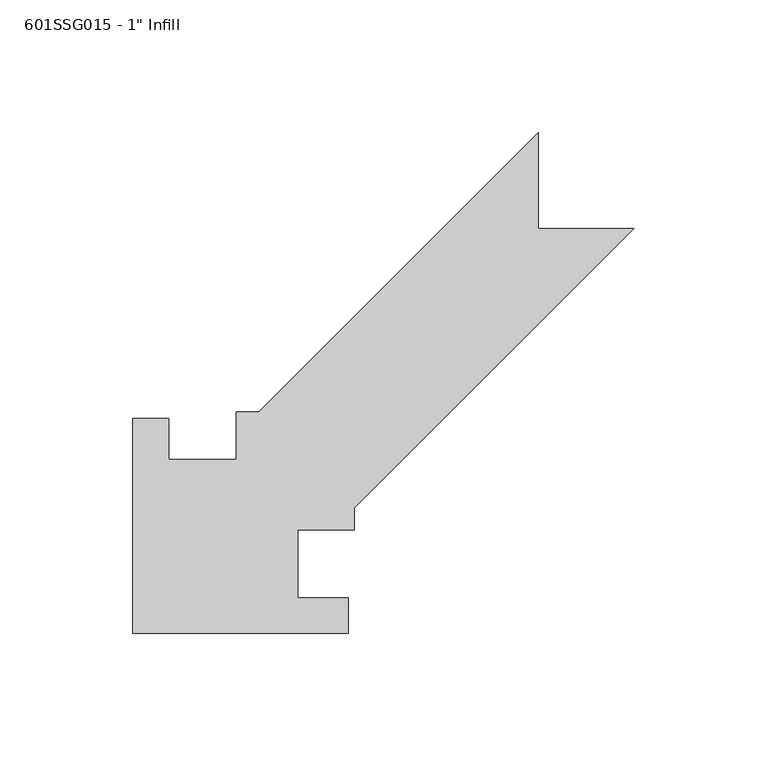
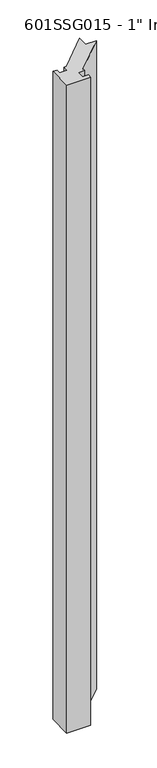
"""IFC4 building model written with IfcOpenShell, lengths in millimetres: proxy geometry."""

from ifc_helpers import new_model, si_unit, frame, origin, place, context, project, spatial, polyline, outline, extrude, source, transform, mapped, element, save


def proxy_f06d0f34(model_context):
    return source(origin(), model_context, "Body", "SweptSolid", [
        extrude(outline(polyline([(-26.19375, 54.76875), (-12.7, 54.76875), (-12.7, 39.3014788), (12.7, 39.3014788), (12.7, 57.0655687), (21.1445443, 57.0655687), (126.20625, 162.1272745), (126.20625, 126.20625), (162.1272745, 126.20625), (57.0655687, 21.1445443), (57.0655687, 12.7), (35.71875, 12.7), (35.71875, -12.7), (54.76875, -12.7), (54.76875, -26.19375), (-26.19375, -26.19375), (-26.19375, 54.76875)])), frame((0.0, 0.0, 50.8), z_axis=(0.0, 0.0, 1.0), x_axis=(1.0, 0.0, 0.0)), (0.0, 0.0, 1.0), 2324.1),
    ])


if __name__ == "__main__":
    model = new_model("IFC4")
    model_context = context("Model", 3, world=origin())
    ifc_project = project(units=[si_unit("LENGTHUNIT", "METRE", prefix="MILLI")], contexts=[model_context])
    site = spatial("IfcSite", under=ifc_project)
    building = spatial("IfcBuilding", under=site)
    placement = place(None, origin())
    proxy_shape = proxy_f06d0f34(model_context)
    element("IfcBuildingElementProxy", 1, Name="601SSG015 - 1\" Infill", ObjectType="601SSG015 - 1\" Infill", at=placement, inside=building, context=model_context, shape_type="MappedRepresentation", body=[
        mapped(proxy_shape, transform((0.0, 0.0, 0.0), x_axis=(1.0, 0.0, 0.0), y_axis=(0.0, 1.0, 0.0), z_axis=(0.0, 0.0, 1.0))),
    ])
    save(model, "model.ifc")
